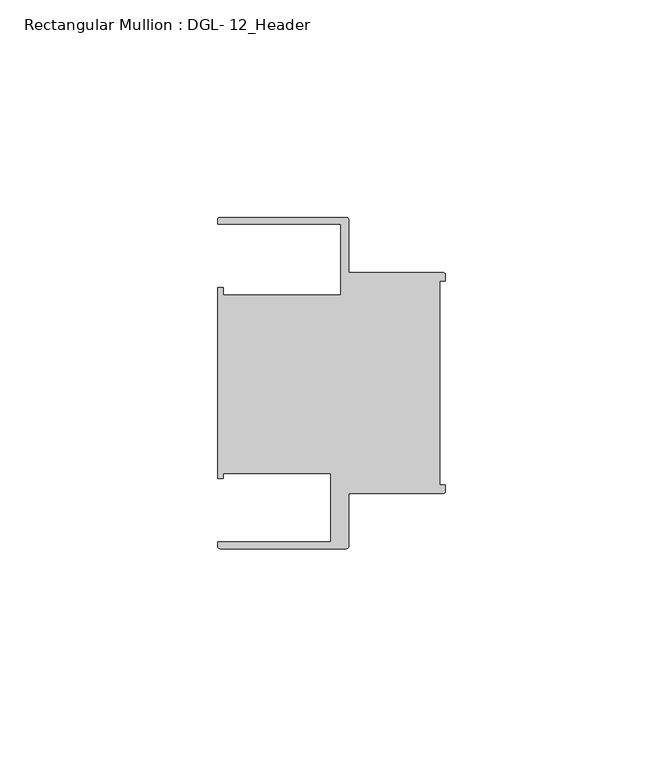
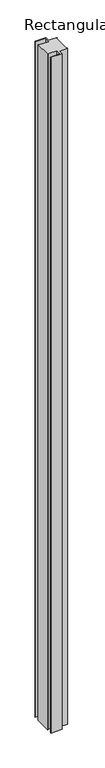
"""IFC4 building model written with IfcOpenShell, lengths in millimetres: member geometry, Rectangular Mullion : DGL- 12_Header."""

from ifc_helpers import new_model, si_unit, point, frame, frame_2d, origin, place, context, project, spatial, polyline, circle_curve, trimmed, segment, composite_curve, outline, extrude, source, transform, mapped, element, save


def rectangular_mullion_dgl_12_header_39ba61ab(model_context):
    return source(origin(), model_context, "Body", "SweptSolid", [
        extrude(outline(composite_curve([segment(trimmed(circle_curve(frame_2d((-0.5953125, 24.8046875)), 0.5953125), [point((-0.5953125, 25.4))], [point((0.0, 24.8046875))], False, "CARTESIAN"), True, "CONTINUOUS"), segment(polyline([(0.0, 24.8046875), (0.0, 23.4882401), (-1.30175, 23.4882401), (-1.30175, -23.4882401), (0.0, -23.4882401), (0.0, -24.8046875)]), True, "CONTINUOUS"), segment(trimmed(circle_curve(frame_2d((-0.5953125, -24.8046875)), 0.5953125), [point((0.0, -24.8046875))], [point((-0.5953125, -25.4))], False, "CARTESIAN"), True, "CONTINUOUS"), segment(polyline([(-0.5953125, -25.4), (-22.2332076, -25.4), (-22.2332076, -37.5047035)]), True, "CONTINUOUS"), segment(trimmed(circle_curve(frame_2d((-22.8285201, -37.5047035)), 0.5953125), [point((-22.2332076, -37.5047035))], [point((-22.8285201, -38.100016))], False, "CARTESIAN"), True, "CONTINUOUS"), segment(polyline([(-22.8285201, -38.100016), (-51.7968699, -38.100016)]), True, "CONTINUOUS"), segment(trimmed(circle_curve(frame_2d((-51.7968699, -37.5047035)), 0.5953125), [point((-51.7968699, -38.100016))], [point((-52.3921824, -37.5047035))], False, "CARTESIAN"), True, "CONTINUOUS"), segment(polyline([(-52.3921824, -37.5047035), (-52.3921824, -36.512516), (-26.3720794, -36.512516), (-26.3720794, -20.8257348), (-51.1280305, -20.8257348), (-51.1280305, -21.9710976), (-52.3948122, -21.9710976), (-52.3948122, 21.9710976), (-51.1280305, 21.9710976), (-51.1280305, 20.1823589), (-24.0747075, 20.1823589), (-24.0747075, 36.5123462), (-52.3921824, 36.5123462), (-52.3921824, 37.5043667)]), True, "CONTINUOUS"), segment(trimmed(circle_curve(frame_2d((-51.7968699, 37.5043667)), 0.5953125), [point((-52.3921824, 37.5043667))], [point((-51.7968699, 38.0996792))], False, "CARTESIAN"), True, "CONTINUOUS"), segment(polyline([(-51.7968699, 38.0996792), (-22.8285201, 38.0996792)]), True, "CONTINUOUS"), segment(trimmed(circle_curve(frame_2d((-22.8285201, 37.5043667)), 0.5953125), [point((-22.8285201, 38.0996792))], [point((-22.2332076, 37.5043667))], False, "CARTESIAN"), True, "CONTINUOUS"), segment(polyline([(-22.2332076, 37.5043667), (-22.2332076, 25.4), (-0.5953125, 25.4)]), True, "CONTINUOUS")], self_intersect=False)), frame((0.0, 0.0, -1938.8666667), z_axis=(0.0, 0.0, 1.0), x_axis=(1.0, 0.0, 0.0)), (0.0, 0.0, 1.0), 1938.8666667),
    ])


if __name__ == "__main__":
    model = new_model("IFC4")
    model_context = context("Model", 3, world=origin())
    ifc_project = project(units=[si_unit("LENGTHUNIT", "METRE", prefix="MILLI")], contexts=[model_context])
    site = spatial("IfcSite", under=ifc_project)
    building = spatial("IfcBuilding", under=site)
    placement = place(None, origin())
    rectangular_mullion_dgl_12_header_shape = rectangular_mullion_dgl_12_header_39ba61ab(model_context)
    element("IfcMember", 1, ObjectType="Rectangular Mullion : DGL- 12_Header", at=placement, inside=building, context=model_context, shape_type="MappedRepresentation", body=[
        mapped(rectangular_mullion_dgl_12_header_shape, transform((0.0, 0.0, 0.0), x_axis=(1.0, 0.0, 0.0), y_axis=(0.0, 1.0, 0.0), z_axis=(0.0, 0.0, 1.0))),
    ])
    save(model, "model.ifc")
